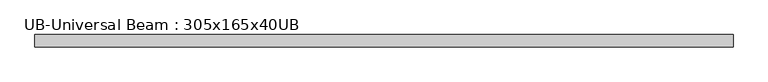
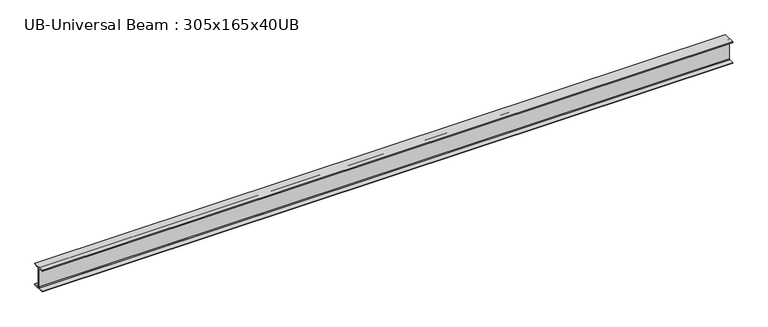
"""IFC4 building model written with IfcOpenShell, lengths in millimetres: beam geometry, UB-Universal Beam : 305x165x40UB."""

from ifc_helpers import new_model, si_unit, point, frame, frame_2d, origin, place, context, project, spatial, polyline, circle_curve, trimmed, segment, composite_curve, outline, extrude, source, transform, mapped, element, save


def ub_universal_beam_305x165x40ub_99b0ecd9(model_context):
    return source(origin(), model_context, "Body", "SweptSolid", [
        extrude(outline(composite_curve([segment(polyline([(82.5, -141.5), (82.5, -151.7), (-82.5, -151.7), (-82.5, -141.5), (-11.9, -141.5)]), True, "CONTINUOUS"), segment(trimmed(circle_curve(frame_2d((-11.9, -132.6)), 8.9), [point((-11.9, -141.5))], [point((-3.0, -132.6))], True, "CARTESIAN"), True, "CONTINUOUS"), segment(polyline([(-3.0, -132.6), (-3.0, 132.6)]), True, "CONTINUOUS"), segment(trimmed(circle_curve(frame_2d((-11.9, 132.6)), 8.9), [point((-3.0, 132.6))], [point((-11.9, 141.5))], True, "CARTESIAN"), True, "CONTINUOUS"), segment(polyline([(-11.9, 141.5), (-82.5, 141.5), (-82.5, 151.7), (82.5, 151.7), (82.5, 141.5), (11.9, 141.5)]), True, "CONTINUOUS"), segment(trimmed(circle_curve(frame_2d((11.9, 132.6)), 8.9), [point((11.9, 141.5))], [point((3.0, 132.6))], True, "CARTESIAN"), True, "CONTINUOUS"), segment(polyline([(3.0, 132.6), (3.0, -132.6)]), True, "CONTINUOUS"), segment(trimmed(circle_curve(frame_2d((11.9, -132.6)), 8.9), [point((3.0, -132.6))], [point((11.9, -141.5))], True, "CARTESIAN"), True, "CONTINUOUS"), segment(polyline([(11.9, -141.5), (82.5, -141.5)]), True, "CONTINUOUS")], self_intersect=False)), frame((-4631.5793799, 0.0, 0.0), z_axis=(1.0, 0.0, 0.0), x_axis=(0.0, 1.0, 0.0)), (0.0, 0.0, 1.0), 9255.6101472),
    ])


if __name__ == "__main__":
    model = new_model("IFC4")
    model_context = context("Model", 3, world=origin())
    ifc_project = project(units=[si_unit("LENGTHUNIT", "METRE", prefix="MILLI")], contexts=[model_context])
    site = spatial("IfcSite", under=ifc_project)
    building = spatial("IfcBuilding", under=site)
    placement = place(None, origin())
    ub_universal_beam_305x165x40ub_shape = ub_universal_beam_305x165x40ub_99b0ecd9(model_context)
    element("IfcBeam", 1, ObjectType="UB-Universal Beam : 305x165x40UB", at=placement, inside=building, context=model_context, shape_type="MappedRepresentation", body=[
        mapped(ub_universal_beam_305x165x40ub_shape, transform((0.0, 0.0, 0.0), x_axis=(1.0, 0.0, 0.0), y_axis=(0.0, 1.0, 0.0), z_axis=(0.0, 0.0, 1.0))),
    ])
    save(model, "model.ifc")
